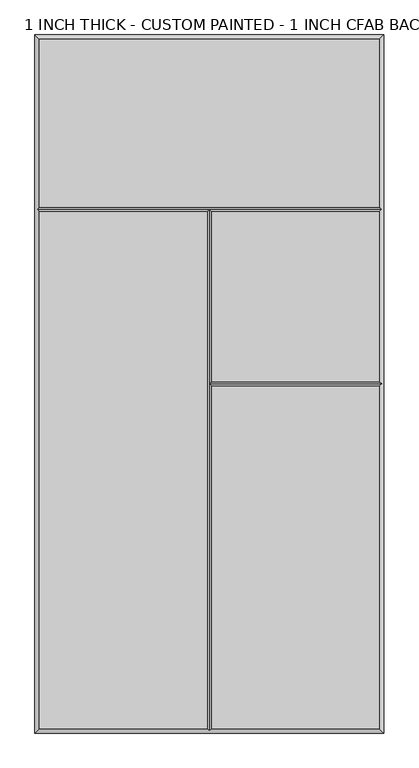
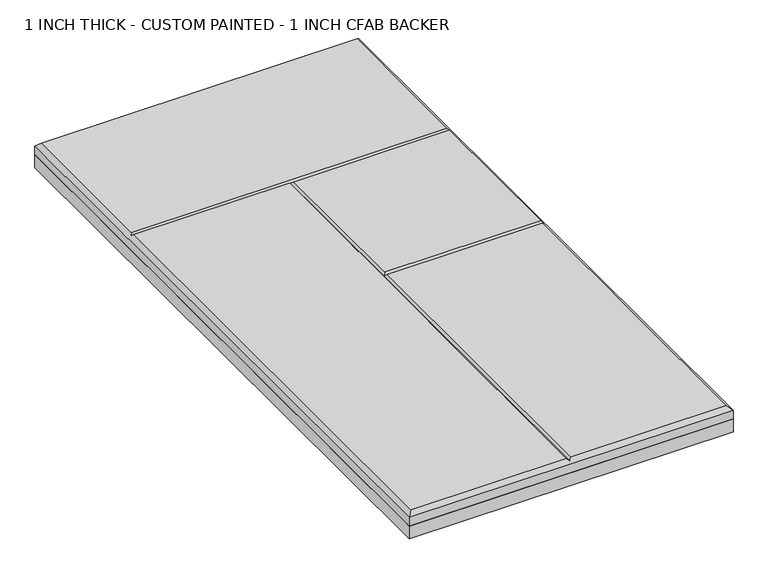
"""IFC4 building model written with IfcOpenShell, lengths in millimetres: proxy geometry, 1 INCH THICK - CUSTOM PAINTED - 1 INCH CFAB BACKER."""

from ifc_helpers import new_model, si_unit, frame, origin, place, context, project, spatial, polyline, outline, extrude, faceted_brep, source, transform, mapped, element, save


def proxy_1_inch_thick_custom_painted_1_inch_cfab_backer_617bbc72(model_context):
    return source(origin(), model_context, "Body", "SolidModel", [
        extrude(outline(polyline([(-304.8, 609.6), (304.8, 609.6), (304.8, -609.6), (-304.8, -609.6), (-304.8, 609.6)])), frame((0.0, 0.0, -25.4), z_axis=(0.0, 0.0, 1.0), x_axis=(1.0, 0.0, 0.0)), (0.0, 0.0, 1.0), 25.4),
        faceted_brep([(296.799, 601.599, 25.4), (-296.799, 601.599, 25.4), (-296.799, 308.8005, 25.4), (296.799, 308.8005, 25.4), (-296.799, 300.7995, 25.4), (-296.799, -601.599, 25.4), (-4.0005, -601.599, 25.4), (-4.0005, 300.7995, 25.4), (4.0005, -601.599, 25.4), (296.799, -601.599, 25.4), (296.799, -4.0005, 25.4), (4.0005, -4.0005, 25.4), (296.799, 300.7995, 25.4), (4.0005, 300.7995, 25.4), (4.0005, 4.0005, 25.4), (296.799, 4.0005, 25.4), (-304.8, 609.6, 0.0), (304.8, 609.6, 0.0), (304.8, -609.6, 0.0), (-304.8, -609.6, 0.0), (-304.8, -609.6, 17.399), (-304.8, 609.6, 17.399), (304.8, -609.6, 17.399), (304.8, 609.6, 17.399), (-300.7995, 304.8, 21.3995), (0.0, -605.5995, 21.3995), (300.7995, 304.8, 21.3995), (300.7995, 0.0, 21.3995), (0.0, 304.8, 21.3995), (0.0, 0.0, 21.3995)], [[[0, 1, 2, 3]], [[4, 5, 6, 7]], [[8, 9, 10, 11]], [[12, 13, 14, 15]], [[16, 17, 18, 19]], [[16, 19, 20, 21]], [[19, 18, 22, 20]], [[18, 17, 23, 22]], [[17, 16, 21, 23]], [[21, 1, 0, 23]], [[1, 21, 20, 5, 4, 24, 2]], [[5, 20, 22, 9, 8, 25, 6]], [[23, 0, 3, 26, 12, 15, 27, 10, 9, 22]], [[24, 4, 7, 28]], [[12, 26, 28, 13]], [[3, 2, 24, 28, 26]], [[25, 8, 11, 29]], [[13, 28, 29, 14]], [[7, 6, 25, 29, 28]], [[27, 29, 11, 10]], [[29, 27, 15, 14]]]),
    ])


if __name__ == "__main__":
    model = new_model("IFC4")
    model_context = context("Model", 3, world=origin())
    ifc_project = project(units=[si_unit("LENGTHUNIT", "METRE", prefix="MILLI")], contexts=[model_context])
    site = spatial("IfcSite", under=ifc_project)
    building = spatial("IfcBuilding", under=site)
    placement = place(None, origin())
    proxy_1_inch_thick_custom_painted_1_inch_cfab_backer_shape = proxy_1_inch_thick_custom_painted_1_inch_cfab_backer_617bbc72(model_context)
    element("IfcBuildingElementProxy", 1, Name="1 INCH THICK - CUSTOM PAINTED - 1 INCH CFAB BACKER", ObjectType="1 INCH THICK - CUSTOM PAINTED - 1 INCH CFAB BACKER", at=placement, inside=building, context=model_context, shape_type="MappedRepresentation", body=[
        mapped(proxy_1_inch_thick_custom_painted_1_inch_cfab_backer_shape, transform((0.0, 0.0, 0.0), x_axis=(1.0, 0.0, 0.0), y_axis=(0.0, 1.0, 0.0), z_axis=(0.0, 0.0, 1.0))),
    ])
    save(model, "model.ifc")
